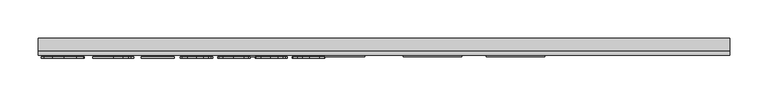
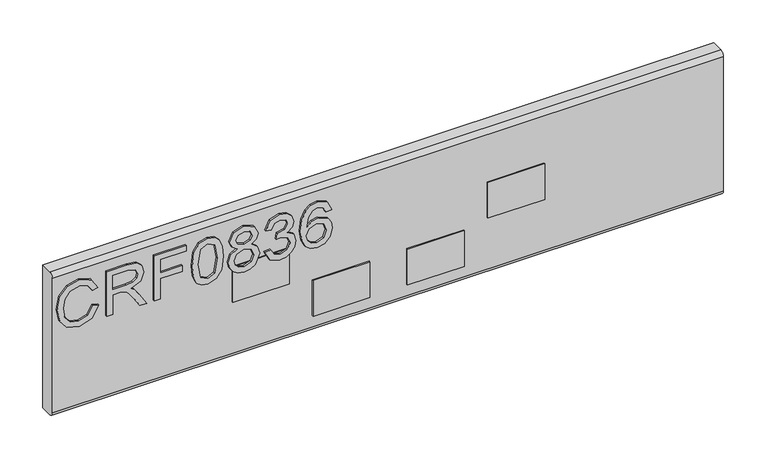
"""IFC4 building model written with IfcOpenShell, lengths in millimetres: furniture geometry."""

from ifc_helpers import new_model, si_unit, point, frame, frame_2d, origin, place, context, project, spatial, polyline, circle_curve, trimmed, segment, composite_curve, outline, extrude, source, transform, mapped, element, save


def furniture_3eea0c1c(model_context):
    return source(origin(), model_context, "Body", "SweptSolid", [
        extrude(outline(polyline([(905.3252652, -802.6680206), (893.5827171, -809.4347807), (889.6270047, -821.636752), (892.5314943, -832.6395507), (901.307258, -840.1304865), (915.0432359, -842.5366187), (926.8947997, -840.5042546), (936.0521183, -833.4571684), (939.4627523, -820.9826579), (936.3869522, -810.2056774), (926.5833263, -803.6647356), (928.4833141, -795.6910159), (942.4684708, -804.7003847), (947.4364719, -820.6711844), (943.597562, -835.9956768), (932.3611582, -846.7337231), (915.0276623, -850.5103383), (897.9744924, -847.1697859), (885.8426026, -837.4362414), (881.653285, -820.8424948), (887.1897251, -804.1475194), (903.2695406, -794.694301), (905.3252652, -802.6680206)])), frame((0.0, 1146.9916162, 0.0), z_axis=(0.0, 1.0, 0.0), x_axis=(0.0, 0.0, 1.0)), (0.0, 0.0, 1.0), 2.38125),
        extrude(outline(polyline([(882.65, -783.7304365), (882.65, -775.7567169), (910.5580187, -775.7567169), (910.5580187, -766.1321881), (910.2776926, -761.5068078), (908.7592596, -757.7146189), (904.62445, -753.5019409), (895.8720468, -747.5060775), (882.65, -739.2053108), (882.65, -729.9389764), (899.936775, -740.5757938), (908.1440996, -747.0388673), (911.5547336, -751.5708056), (917.4883023, -738.2163826), (928.9816716, -733.8946889), (938.6295609, -736.5032788), (944.7188663, -743.4802835), (946.4397569, -756.242907), (946.4397569, -783.7304365), (882.65, -783.7304365)]), holes=[polyline([(918.5317383, -775.7567169), (938.4660373, -775.7567169), (938.4660373, -755.9002862), (935.7094975, -745.2401083), (928.6857719, -741.8684085), (923.2739211, -743.6360202), (919.6608294, -748.806479), (918.5317383, -757.9092898), (918.5317383, -775.7567169)])]), frame((0.0, 1146.9916162, 0.0), z_axis=(0.0, 1.0, 0.0), x_axis=(0.0, 0.0, 1.0)), (0.0, 0.0, 1.0), 2.38125),
        extrude(outline(polyline([(882.65, -719.9406796), (882.65, -711.96696), (911.5547336, -711.96696), (911.5547336, -682.0655114), (919.5284532, -682.0655114), (919.5284532, -711.96696), (938.4660373, -711.96696), (938.4660373, -677.0819366), (946.4397569, -677.0819366), (946.4397569, -719.9406796), (882.65, -719.9406796)])), frame((0.0, 1146.9916162, 0.0), z_axis=(0.0, 1.0, 0.0), x_axis=(0.0, 0.0, 1.0)), (0.0, 0.0, 1.0), 2.38125),
        extrude(outline(polyline([(914.0309473, -669.108217), (898.5156775, -667.5197026), (887.7270168, -662.7541592), (883.171718, -656.4623961), (881.653285, -648.177203), (885.1495742, -636.5047365), (895.7552443, -629.566666), (914.0309473, -627.246189), (929.0206058, -628.6945404), (938.4582505, -632.4322215), (944.3840324, -638.8641477), (946.4397569, -648.177203), (942.9668283, -659.8029485), (932.3845188, -666.7643795), (914.0309473, -669.108217)]), holes=[polyline([(914.046521, -661.1344974), (934.1988514, -657.272227), (938.4660373, -648.270645), (933.6226256, -638.8330003), (914.046521, -635.2199086), (894.2601718, -638.9575897), (889.6270047, -648.177203), (894.2445982, -657.3968163), (914.046521, -661.1344974)])]), frame((0.0, 1146.9916162, 0.0), z_axis=(0.0, 1.0, 0.0), x_axis=(0.0, 0.0, 1.0)), (0.0, 0.0, 1.0), 2.38125),
        extrude(outline(polyline([(917.7842021, -608.6512257), (911.9907964, -617.2478921), (901.4318474, -620.2691843), (893.6742125, -618.8286198), (887.3143145, -614.506926), (883.0685424, -607.833608), (881.653285, -599.3381704), (883.0627023, -590.8427327), (887.290954, -584.1694147), (901.213816, -578.4071564), (911.5313731, -581.311646), (917.7842021, -589.7915099), (922.713269, -582.7288501), (930.2275653, -580.4005863), (941.7209346, -585.6333398), (946.4397569, -599.447186), (941.8299503, -613.136443), (930.4455967, -618.2757544), (922.7366295, -615.9163433), (917.7842021, -608.6512257)]), holes=[polyline([(930.2119916, -610.3020348), (936.0365446, -607.4286925), (938.4660373, -599.3381704), (935.9820368, -591.2710087), (929.8537972, -588.3743059), (923.9358022, -591.1775667), (921.5218831, -599.2447283), (923.9513758, -607.4754135), (930.2119916, -610.3020348)]), polyline([(901.7121735, -612.2954647), (910.1686769, -608.9237649), (913.5481635, -599.5406281), (910.1219559, -589.884952), (901.4629947, -586.380876), (892.9675571, -589.7759363), (889.6270047, -599.2758757), (891.2155191, -606.2528803), (895.7085232, -610.9639158), (901.7121735, -612.2954647)])]), frame((0.0, 1146.9916162, 0.0), z_axis=(0.0, 1.0, 0.0), x_axis=(0.0, 0.0, 1.0)), (0.0, 0.0, 1.0), 2.38125),
        extrude(outline(polyline([(899.5941542, -571.4301517), (886.6524335, -565.0916675), (881.653285, -551.1065109), (883.1172101, -542.5838193), (887.5089854, -535.6730028), (894.0032063, -531.0943435), (901.7744681, -529.5681237), (912.1465331, -532.6205632), (917.597318, -541.3106717), (922.8767925, -534.7697298), (930.2275653, -532.5582685), (938.2713664, -534.8865324), (944.2516562, -541.6143583), (946.4397569, -551.2311002), (942.0012607, -563.9080685), (929.4956028, -570.4334367), (928.4988878, -562.4597171), (935.9742499, -558.5507257), (938.4660373, -550.9507742), (935.9976105, -543.4442647), (929.7603552, -540.5319882), (922.7210558, -544.5499953), (920.5251682, -554.8753393), (912.5514486, -555.7630385), (913.4235742, -550.1720906), (910.16089, -541.108214), (901.9146312, -537.5418433), (893.162228, -541.1393613), (889.6270047, -550.8261848), (892.1966604, -559.05687), (900.5908691, -563.4564321), (899.5941542, -571.4301517)])), frame((0.0, 1146.9916162, 0.0), z_axis=(0.0, 1.0, 0.0), x_axis=(0.0, 0.0, 1.0)), (0.0, 0.0, 1.0), 2.38125),
        extrude(outline(polyline([(929.4956028, -481.725806), (941.938966, -487.6126537), (946.4397569, -500.2117536), (944.6215308, -509.4664077), (939.1668525, -516.6108293), (928.3081103, -521.8435828), (912.4268592, -523.587834), (898.3015395, -522.0168399), (888.8171738, -517.3038577), (883.4442572, -510.0990881), (881.653285, -501.0527319), (884.355317, -490.6027985), (892.1421526, -483.3610415), (903.1449512, -480.729091), (911.3172351, -482.126828), (917.8309231, -486.320039), (923.515313, -499.8691328), (921.4362279, -508.5826018), (915.0743833, -515.6141144), (929.2853582, -513.3481452), (936.5349021, -507.9051472), (938.4660373, -500.7101111), (935.1488454, -492.7208178), (928.4988878, -489.6995256), (929.4956028, -481.725806)]), holes=[polyline([(903.2695406, -515.6141144), (912.15432, -511.6506151), (915.5415934, -502.0027258), (912.15432, -492.2302472), (902.8801988, -488.7028106), (893.1933754, -492.2769682), (889.6270047, -501.6756787), (891.3478953, -508.8629279), (896.3626174, -513.7686343), (903.2695406, -515.6141144)])]), frame((0.0, 1146.9916162, 0.0), z_axis=(0.0, 1.0, 0.0), x_axis=(0.0, 0.0, 1.0)), (0.0, 0.0, 1.0), 2.38125),
        extrude(outline(polyline([(-270.2971981, 1150.9603662), (-194.0971981, 1150.9603662), (-194.0971981, 1149.3728662), (-270.2971981, 1149.3728662), (-270.2971981, 1150.9603662)])), frame((0.0, 0.0, 841.374997), z_axis=(0.0, 0.0, 1.0), x_axis=(1.0, 0.0, 0.0)), (0.0, 0.0, 1.0), 50.8000061),
        extrude(outline(polyline([(-613.1971981, 1150.9603662), (-536.9971981, 1150.9603662), (-536.9971981, 1149.3728662), (-613.1971981, 1149.3728662), (-613.1971981, 1150.9603662)])), frame((0.0, 0.0, 841.374997), z_axis=(0.0, 0.0, 1.0), x_axis=(1.0, 0.0, 0.0)), (0.0, 0.0, 1.0), 50.8000061),
        extrude(outline(polyline([(-505.2471921, 1150.9603662), (-429.0471921, 1150.9603662), (-429.0471921, 1149.3728662), (-505.2471921, 1149.3728662), (-505.2471921, 1150.9603662)])), frame((0.0, 0.0, 784.2249992), z_axis=(0.0, 0.0, 1.0), x_axis=(1.0, 0.0, 0.0)), (0.0, 0.0, 1.0), 50.7999992),
        extrude(outline(polyline([(-378.247186, 1150.9603662), (-302.047186, 1150.9603662), (-302.047186, 1149.3728662), (-378.247186, 1149.3728662), (-378.247186, 1150.9603662)])), frame((0.0, 0.0, 784.2249992), z_axis=(0.0, 0.0, 1.0), x_axis=(1.0, 0.0, 0.0)), (0.0, 0.0, 1.0), 50.7999992),
        extrude(outline(composite_curve([segment(trimmed(circle_curve(frame_2d((1156.9134912, 959.2468811)), 5.953125), [point((1150.9603662, 959.2468811))], [point((1156.9134912, 965.2000061))], False, "CARTESIAN"), True, "CONTINUOUS"), segment(polyline([(1156.9134912, 965.2000061), (1173.1853662, 965.2000061), (1173.1853662, 762.0), (1156.9134912, 762.0)]), True, "CONTINUOUS"), segment(trimmed(circle_curve(frame_2d((1156.9134912, 767.953125)), 5.953125), [point((1156.9134912, 762.0))], [point((1150.9603662, 767.953125))], False, "CARTESIAN"), True, "CONTINUOUS"), segment(polyline([(1150.9603662, 767.953125), (1150.9603662, 959.2468811)]), True, "CONTINUOUS")], self_intersect=False)), frame((-854.4971981, 0.0, 0.0), z_axis=(1.0, 0.0, 0.0), x_axis=(0.0, 1.0, 0.0)), (0.0, 0.0, 1.0), 901.7),
    ])


if __name__ == "__main__":
    model = new_model("IFC4")
    model_context = context("Model", 3, world=origin())
    ifc_project = project(units=[si_unit("LENGTHUNIT", "METRE", prefix="MILLI")], contexts=[model_context])
    site = spatial("IfcSite", under=ifc_project)
    building = spatial("IfcBuilding", under=site)
    placement = place(None, origin())
    furniture_shape = furniture_3eea0c1c(model_context)
    element("IfcFurniture", 1, at=placement, inside=building, context=model_context, shape_type="MappedRepresentation", body=[
        mapped(furniture_shape, transform((0.0, 0.0, 0.0), x_axis=(1.0, 0.0, 0.0), y_axis=(0.0, 1.0, 0.0), z_axis=(0.0, 0.0, 1.0))),
    ])
    save(model, "model.ifc")
